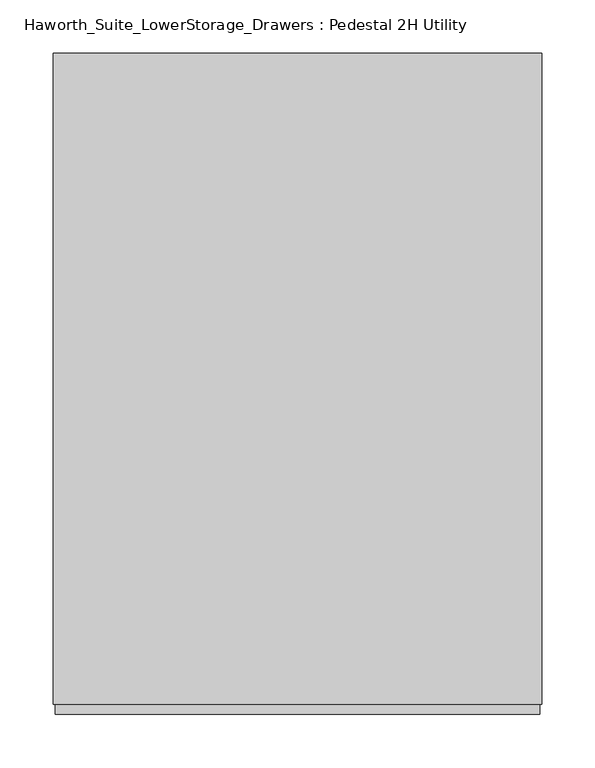
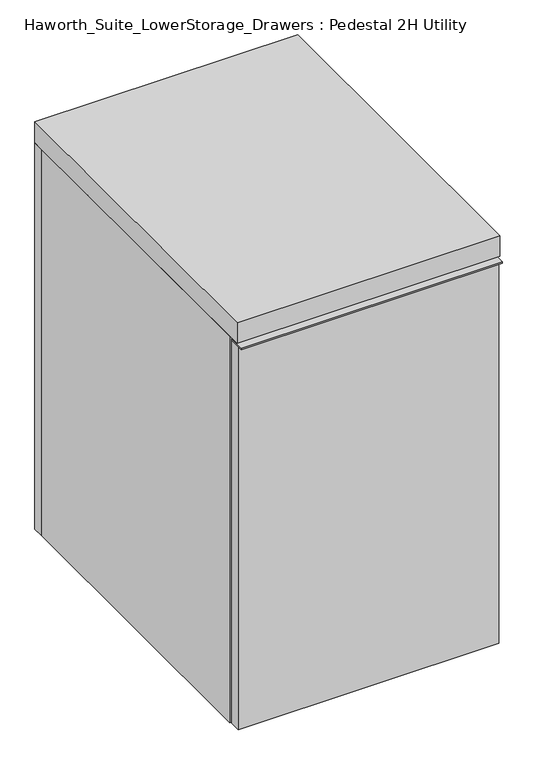
"""IFC4 building model written with IfcOpenShell, lengths in millimetres: furniture geometry, Haworth_Suite_LowerStorage_Drawers : Pedestal 2H Utility."""

from ifc_helpers import new_model, si_unit, frame, origin, origin_with_axes, place, context, project, spatial, polyline, outline, extrude, source, transform, mapped, element, save


def haworth_suite_lowerstorage_drawers_pedestal_2h_utility_0c14d54c(model_context):
    return source(origin(), model_context, "Body", "SweptSolid", [
        extrude(outline(polyline([(214.3125, -631.825), (-239.7125, -631.825), (-239.7125, -603.25), (214.3125, -603.25), (214.3125, -631.825)])), frame((0.0, 0.0, 704.85), z_axis=(0.0, 0.0, 1.0), x_axis=(1.0, 0.0, 0.0)), (0.0, 0.0, 1.0), 3.175),
        extrude(outline(polyline([(214.3125, -603.25), (214.3125, -622.3), (-239.7125, -622.3), (-239.7125, -603.25), (214.3125, -603.25)])), origin_with_axes(), (0.0, 0.0, 1.0), 704.85),
        extrude(outline(polyline([(215.9, -12.7), (215.9, -622.3), (-241.3, -622.3), (-241.3, -12.7), (215.9, -12.7)])), frame((0.0, 0.0, 711.2), z_axis=(0.0, 0.0, 1.0), x_axis=(1.0, 0.0, 0.0)), (0.0, 0.0, 1.0), 38.1),
        extrude(outline(polyline([(692.15, 196.85), (692.15, -222.25), (38.1, -222.25), (38.1, 196.85), (692.15, 196.85)]), holes=[polyline([(590.55, 95.25), (139.7, 95.25), (139.7, -120.65), (590.55, -120.65), (590.55, 95.25)])]), frame((0.0, -152.4, 0.0), z_axis=(0.0, 1.0, 0.0), x_axis=(0.0, 0.0, 1.0)), (0.0, 0.0, 1.0), 19.05),
        extrude(outline(polyline([(215.9, -12.7), (215.9, -31.75), (-241.3, -31.75), (-241.3, -12.7), (215.9, -12.7)])), origin_with_axes(), (0.0, 0.0, 1.0), 711.2),
        extrude(outline(polyline([(196.85, -133.35), (196.85, -501.65), (-222.25, -501.65), (-222.25, -133.35), (196.85, -133.35)])), frame((0.0, 0.0, 692.15), z_axis=(0.0, 0.0, 1.0), x_axis=(1.0, 0.0, 0.0)), (0.0, 0.0, 1.0), 19.05),
        extrude(outline(polyline([(196.85, -31.75), (196.85, -600.075), (-222.25, -600.075), (-222.25, -31.75), (196.85, -31.75)])), origin_with_axes(), (0.0, 0.0, 1.0), 38.1),
        extrude(outline(polyline([(-222.25, -31.75), (-222.25, -600.075), (-241.3, -600.075), (-241.3, -31.75), (-222.25, -31.75)])), origin_with_axes(), (0.0, 0.0, 1.0), 711.2),
        extrude(outline(polyline([(215.9, -600.075), (196.85, -600.075), (196.85, -31.75), (215.9, -31.75), (215.9, -600.075)])), origin_with_axes(), (0.0, 0.0, 1.0), 711.2),
    ])


if __name__ == "__main__":
    model = new_model("IFC4")
    model_context = context("Model", 3, world=origin())
    ifc_project = project(units=[si_unit("LENGTHUNIT", "METRE", prefix="MILLI")], contexts=[model_context])
    site = spatial("IfcSite", under=ifc_project)
    building = spatial("IfcBuilding", under=site)
    placement = place(None, origin())
    haworth_suite_lowerstorage_drawers_pedestal_2h_utility_shape = haworth_suite_lowerstorage_drawers_pedestal_2h_utility_0c14d54c(model_context)
    element("IfcFurniture", 1, ObjectType="Haworth_Suite_LowerStorage_Drawers : Pedestal 2H Utility", at=placement, inside=building, context=model_context, shape_type="MappedRepresentation", body=[
        mapped(haworth_suite_lowerstorage_drawers_pedestal_2h_utility_shape, transform((0.0, 0.0, 0.0), x_axis=(1.0, 0.0, 0.0), y_axis=(0.0, 1.0, 0.0), z_axis=(0.0, 0.0, 1.0))),
    ])
    save(model, "model.ifc")
